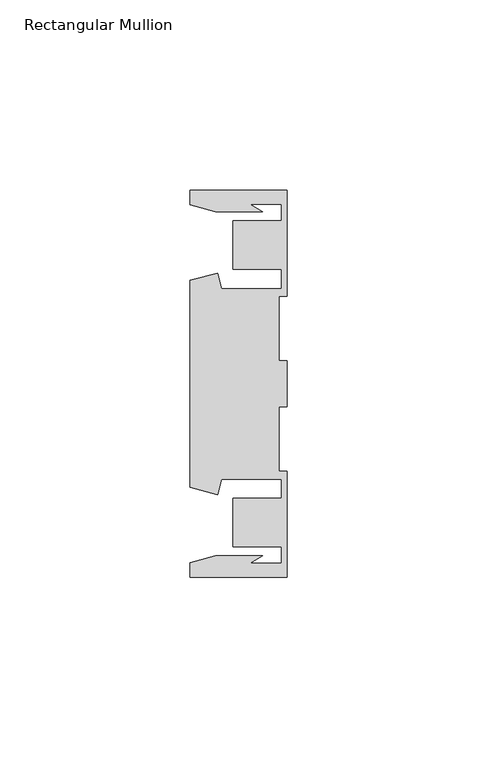
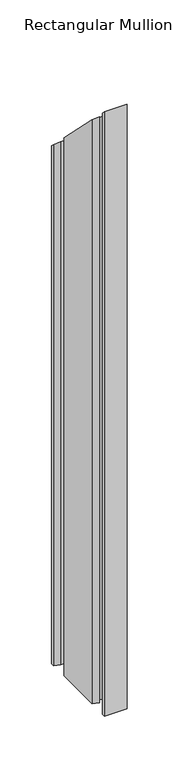
"""IFC4 building model written with IfcOpenShell, lengths in millimetres: member geometry, Rectangular Mullion."""

from ifc_helpers import new_model, si_unit, origin, place, context, project, spatial, faceted_brep, source, transform, mapped, element, save


def rectangular_mullion_31062107(model_context):
    return source(origin(), model_context, "Body", "Brep", [
        faceted_brep([(-25.4, 50.7724622, -660.0), (0.0, 50.7724622, -660.0), (0.0, 22.9708072, -660.0), (-2.0000011, 22.9708072, -660.0), (-2.0000011, 5.9770032, -660.0), (0.0, 5.9770032, -660.0), (0.0, -6.0230032, -660.0), (-2.0000011, -6.0230032, -660.0), (-2.0000011, -23.0168072, -660.0), (0.0, -23.0168072, -660.0), (0.0, -50.8184622, -660.0), (-25.4, -50.8184622, -660.0), (-25.4, -47.0228463, -660.0), (-18.7113002, -45.2306146, -660.0), (-6.3834869, -45.2306146, -660.0), (-9.7005662, -47.1457313, -660.0), (-1.4138425, -47.1457313, -660.0), (-1.4138425, -42.8358906, -660.0), (-14.1138425, -42.8358906, -660.0), (-14.1138425, -30.1358906, -660.0), (-1.4138425, -30.1358906, -660.0), (-1.4138425, -25.0350132, -660.0), (-17.1094033, -25.0350132, -660.0), (-18.2017212, -29.1115993, -660.0), (-25.4, -27.1828263, -660.0), (-25.4, 27.1368263, -660.0), (-18.2017212, 29.0655993, -660.0), (-17.1094033, 24.9890132, -660.0), (-1.4138425, 24.9890132, -660.0), (-1.4138425, 30.0898906, -660.0), (-14.1138425, 30.0898906, -660.0), (-14.1138425, 42.7898906, -660.0), (-1.4138425, 42.7898906, -660.0), (-1.4138425, 47.0997313, -660.0), (-9.7005662, 47.0997313, -660.0), (-6.3834869, 45.1846146, -660.0), (-18.7113002, 45.1846146, -660.0), (-25.4, 46.9768463, -660.0), (-25.4, 46.9768463, -46.9768463), (-25.4, 50.7724622, -50.7724622), (-18.7113002, 45.1846146, -45.1846146), (-6.3834869, 45.1846146, -45.1846146), (-9.7005662, 47.0997313, -47.0997313), (-1.4138425, 47.0997313, -47.0997313), (-1.4138425, 42.7898906, -42.7898906), (-14.1138425, 42.7898906, -42.7898906), (-14.1138425, 30.0898906, -30.0898906), (-1.4138425, 30.0898906, -30.0898906), (-1.4138425, 24.9890132, -24.9890132), (-17.1094033, 24.9890132, -24.9890132), (-18.2017212, 29.0655993, -29.0655993), (-25.4, 27.1368263, -27.1368263), (-25.4, -27.1828263, 27.1828263), (-18.2017212, -29.1115993, 29.1115993), (-17.1094033, -25.0350132, 25.0350132), (-1.4138425, -25.0350132, 25.0350132), (-1.4138425, -30.1358906, 30.1358906), (-14.1138425, -30.1358906, 30.1358906), (-14.1138425, -42.8358906, 42.8358906), (-1.4138425, -42.8358906, 42.8358906), (-1.4138425, -47.1457313, 47.1457313), (-9.7005662, -47.1457313, 47.1457313), (-6.3834869, -45.2306146, 45.2306146), (-18.7113002, -45.2306146, 45.2306146), (-25.4, -47.0228463, 47.0228463), (-25.4, -50.8184622, 50.8184622), (0.0, -50.8184622, 50.8184622), (0.0, -23.0168072, 23.0168072), (-2.0000011, -23.0168072, 23.0168072), (-2.0000011, -6.0230032, 6.0230032), (0.0, -6.0230032, 6.0230032), (0.0, 5.9770032, -5.9770032), (-2.0000011, 5.9770032, -5.9770032), (-2.0000011, 22.9708072, -22.9708072), (0.0, 22.9708072, -22.9708072), (0.0, 50.7724622, -50.7724622)], [[[0, 1, 2, 3, 4, 5, 6, 7, 8, 9, 10, 11, 12, 13, 14, 15, 16, 17, 18, 19, 20, 21, 22, 23, 24, 25, 26, 27, 28, 29, 30, 31, 32, 33, 34, 35, 36, 37]], [[38, 39, 0, 37]], [[40, 38, 37, 36]], [[41, 40, 36, 35]], [[42, 41, 35, 34]], [[43, 42, 34, 33]], [[44, 43, 33, 32]], [[45, 44, 32, 31]], [[46, 45, 31, 30]], [[47, 46, 30, 29]], [[48, 47, 29, 28]], [[49, 48, 28, 27]], [[50, 49, 27, 26]], [[51, 50, 26, 25]], [[52, 51, 25, 24]], [[53, 52, 24, 23]], [[54, 53, 23, 22]], [[55, 54, 22, 21]], [[56, 55, 21, 20]], [[57, 56, 20, 19]], [[58, 57, 19, 18]], [[59, 58, 18, 17]], [[60, 59, 17, 16]], [[61, 60, 16, 15]], [[62, 61, 15, 14]], [[63, 62, 14, 13]], [[64, 63, 13, 12]], [[65, 64, 12, 11]], [[66, 65, 11, 10]], [[67, 66, 10, 9]], [[68, 67, 9, 8]], [[69, 68, 8, 7]], [[70, 69, 7, 6]], [[71, 70, 6, 5]], [[72, 71, 5, 4]], [[73, 72, 4, 3]], [[74, 73, 3, 2]], [[75, 74, 2, 1]], [[39, 75, 1, 0]], [[39, 38, 40, 41, 42, 43, 44, 45, 46, 47, 48, 49, 50, 51, 52, 53, 54, 55, 56, 57, 58, 59, 60, 61, 62, 63, 64, 65, 66, 67, 68, 69, 70, 71, 72, 73, 74, 75]]]),
    ])


if __name__ == "__main__":
    model = new_model("IFC4")
    model_context = context("Model", 3, world=origin())
    ifc_project = project(units=[si_unit("LENGTHUNIT", "METRE", prefix="MILLI")], contexts=[model_context])
    site = spatial("IfcSite", under=ifc_project)
    building = spatial("IfcBuilding", under=site)
    placement = place(None, origin())
    rectangular_mullion_shape = rectangular_mullion_31062107(model_context)
    element("IfcMember", 1, ObjectType="Rectangular Mullion", at=placement, inside=building, context=model_context, shape_type="MappedRepresentation", body=[
        mapped(rectangular_mullion_shape, transform((0.0, 0.0, 0.0), x_axis=(1.0, 0.0, 0.0), y_axis=(0.0, 1.0, 0.0), z_axis=(0.0, 0.0, 1.0))),
    ])
    save(model, "model.ifc")
